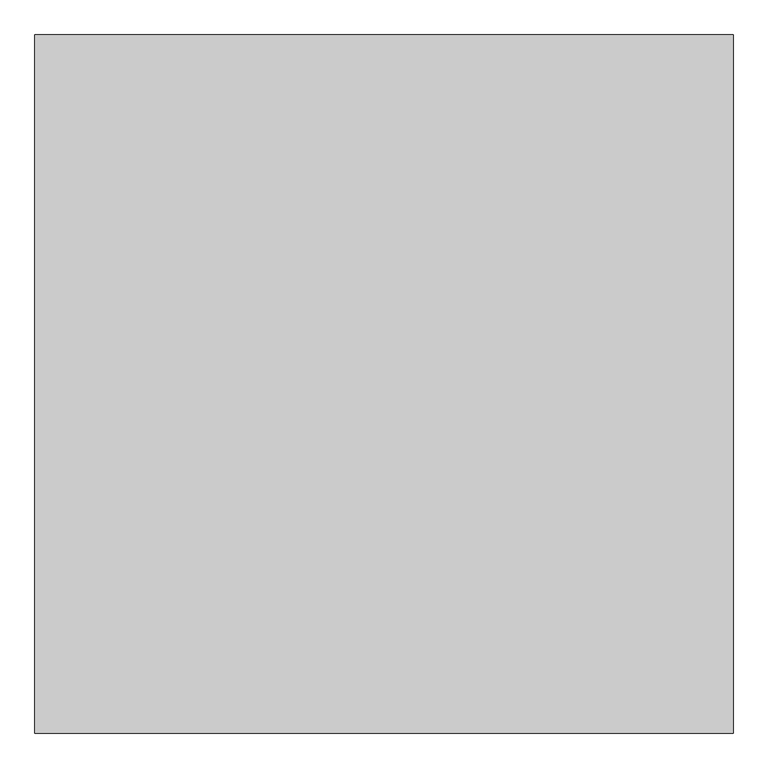
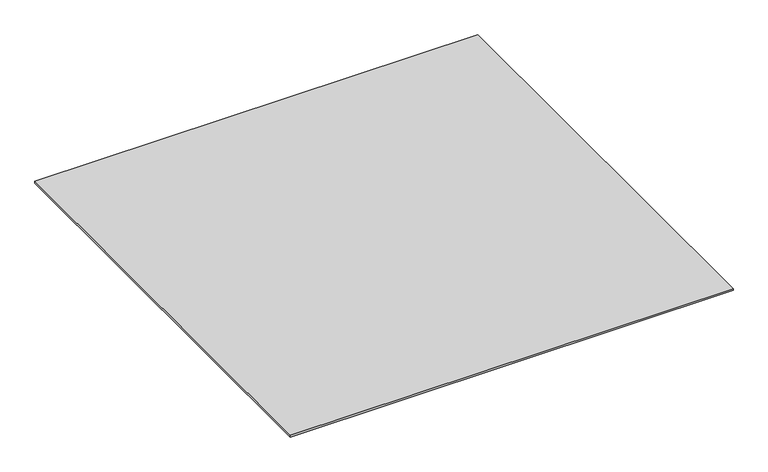
"""IFC4 building model written with IfcOpenShell, lengths in millimetres: proxy geometry."""

from ifc_helpers import new_model, si_unit, origin, origin_with_axes, place, context, project, spatial, polyline, outline, extrude, source, transform, mapped, element, save


def generic_models_b1da3074(model_context):
    return source(origin(), model_context, "Body", "SweptSolid", [
        extrude(outline(polyline([(-5796.9237868, -20087.355679), (-5796.9237868, -21087.355679), (-6796.9237868, -21087.355679), (-6796.9237868, -20087.355679), (-5796.9237868, -20087.355679)])), origin_with_axes(), (0.0, 0.0, 1.0), 4.0),
    ])


if __name__ == "__main__":
    model = new_model("IFC4")
    model_context = context("Model", 3, world=origin())
    ifc_project = project(units=[si_unit("LENGTHUNIT", "METRE", prefix="MILLI")], contexts=[model_context])
    site = spatial("IfcSite", under=ifc_project)
    building = spatial("IfcBuilding", under=site)
    placement = place(None, origin())
    generic_models_shape = generic_models_b1da3074(model_context)
    element("IfcBuildingElementProxy", 1, Name="Generic Models", at=placement, inside=building, context=model_context, shape_type="MappedRepresentation", body=[
        mapped(generic_models_shape, transform((0.0, 0.0, 0.0), x_axis=(1.0, 0.0, 0.0), y_axis=(0.0, 1.0, 0.0), z_axis=(0.0, 0.0, 1.0))),
    ])
    save(model, "model.ifc")
